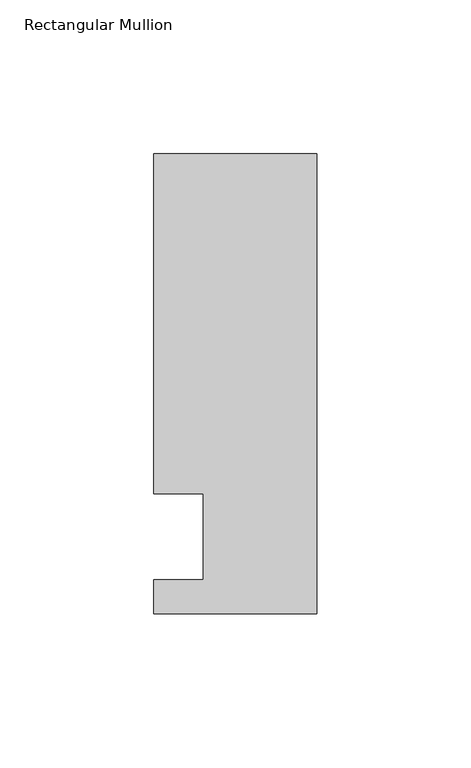
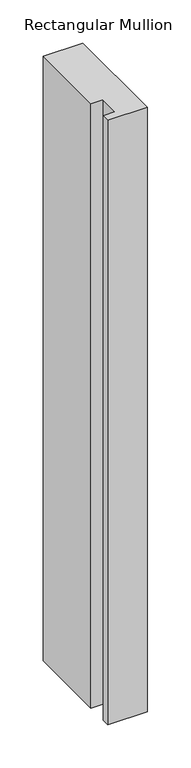
"""IFC4 building model written with IfcOpenShell, lengths in millimetres: member geometry, Rectangular Mullion."""

from ifc_helpers import new_model, si_unit, frame, origin, place, context, project, spatial, polyline, outline, extrude, source, transform, mapped, element, save


def rectangular_mullion_ef7997b8(model_context):
    return source(origin(), model_context, "Body", "SweptSolid", [
        extrude(outline(polyline([(-37.0, -13.9999453), (-37.0, 14.0000547), (-53.0, 14.0000547), (-53.0, 124.5000547), (0.0, 124.5000547), (0.0, -24.9999453), (-53.0, -24.9999453), (-53.0, -13.9999453), (-37.0, -13.9999453)])), frame((0.0, 0.0, -853.9388447), z_axis=(0.0, 0.0, 1.0), x_axis=(1.0, 0.0, 0.0)), (0.0, 0.0, 1.0), 853.9388447),
    ])


if __name__ == "__main__":
    model = new_model("IFC4")
    model_context = context("Model", 3, world=origin())
    ifc_project = project(units=[si_unit("LENGTHUNIT", "METRE", prefix="MILLI")], contexts=[model_context])
    site = spatial("IfcSite", under=ifc_project)
    building = spatial("IfcBuilding", under=site)
    placement = place(None, origin())
    rectangular_mullion_shape = rectangular_mullion_ef7997b8(model_context)
    element("IfcMember", 1, ObjectType="Rectangular Mullion", at=placement, inside=building, context=model_context, shape_type="MappedRepresentation", body=[
        mapped(rectangular_mullion_shape, transform((0.0, 0.0, 0.0), x_axis=(1.0, 0.0, 0.0), y_axis=(0.0, 1.0, 0.0), z_axis=(0.0, 0.0, 1.0))),
    ])
    save(model, "model.ifc")
